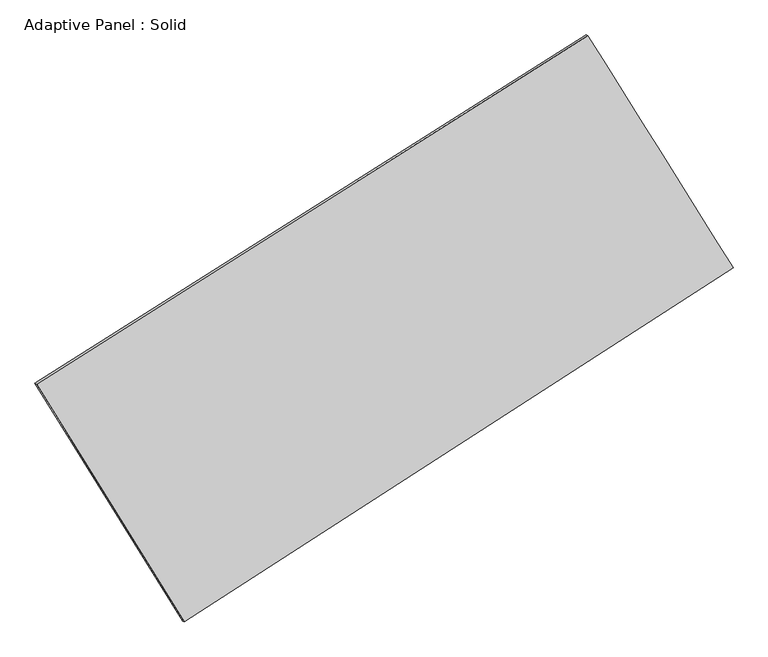
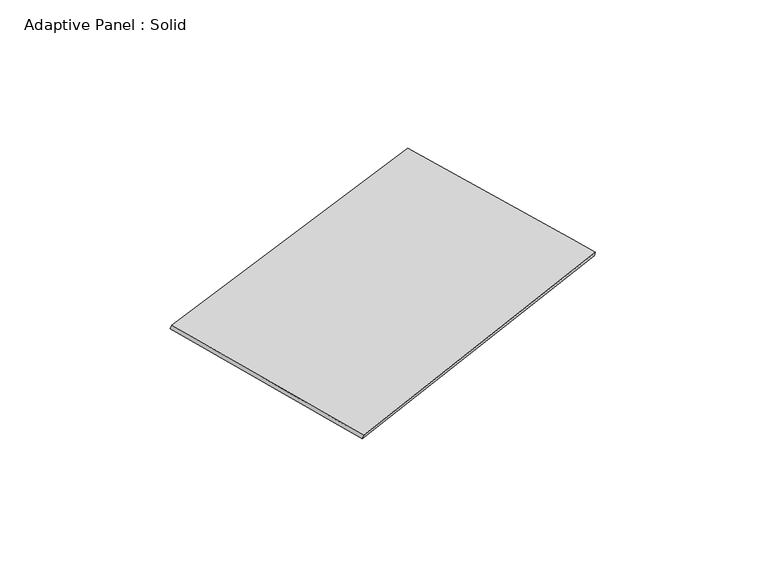
"""IFC4 building model written with IfcOpenShell, lengths in millimetres: plate geometry, Adaptive Panel : Solid."""

import ifcopenshell
import ifcopenshell.guid

model = None  # the IFC model being written
_history = None  # IfcOwnerHistory: only IFC2X3 demands one
_inside = {}  # id of a spatial element -> (the spatial element, [elements in it])
_under = {}  # id of a project, library or spatial element -> (it, [spatial elements below it])
_declared = {}  # id of a project -> (the project, [libraries it declares])
_typed = {}  # id of a type object -> (the type object, [elements of that type])
_made_of = {}  # id of a material, layer set ... -> (it, [elements and type objects made of it])


def new_model(schema):
    """Start an empty IFC model of exactly this schema.

    Asked for "IFC4X3", IfcOpenShell would pick the latest addendum, in which some entities
    have other attributes; the version numbers below select the first issue.
    IFC2X3 requires an IfcOwnerHistory on every rooted entity: one is made here for all.
    """
    global model, _history
    if schema == "IFC4X3":
        model = ifcopenshell.file(schema_version=(4, 3, 0, 0))
    else:
        model = ifcopenshell.file(schema=schema)
    _inside.clear()
    _under.clear()
    _declared.clear()
    _typed.clear()
    _made_of.clear()
    _history = None
    if model.schema == "IFC2X3":
        org = make("IfcOrganization", Name="unknown")
        user = make(
            "IfcPersonAndOrganization",
            ThePerson=make("IfcPerson", FamilyName="unknown"),
            TheOrganization=org,
        )
        app = make(
            "IfcApplication",
            ApplicationDeveloper=org,
            Version="unknown",
            ApplicationFullName="unknown",
            ApplicationIdentifier="unknown",
        )
        _history = make(
            "IfcOwnerHistory",
            OwningUser=user,
            OwningApplication=app,
            ChangeAction="ADDED",
            CreationDate=0,
        )
    return model


def make(cls, **values):
    """One entity of the class cls with the attributes given. An attribute that is None is left unset."""
    return model.create_entity(
        cls, **{name: value for name, value in values.items() if value is not None}
    )


def rooted(cls, **values):
    """An entity with a GlobalId (a new one), such as an element, a storey or a relation."""
    return make(cls, GlobalId=ifcopenshell.guid.new(), OwnerHistory=_history, **values)


def si_unit(unit_type, name, prefix=None):
    """IfcSIUnit, for example si_unit("LENGTHUNIT", "METRE", prefix="MILLI")."""
    return make("IfcSIUnit", UnitType=unit_type, Prefix=prefix, Name=name)


def assignment(units):
    """IfcUnitAssignment: the units of a project."""
    return None if units is None else make("IfcUnitAssignment", Units=units)


def point(xyz):
    """IfcCartesianPoint."""
    return None if xyz is None else make("IfcCartesianPoint", Coordinates=xyz)


def direction(xyz):
    """IfcDirection."""
    return None if xyz is None else make("IfcDirection", DirectionRatios=xyz)


def frame(location, z_axis=None, x_axis=None):
    """IfcAxis2Placement3D, a coordinate frame: its origin and axes. An axis left out is left unset."""
    return make(
        "IfcAxis2Placement3D",
        Location=point(location),
        Axis=direction(z_axis),
        RefDirection=direction(x_axis),
    )


def origin():
    """The frame at (0, 0, 0) with its axes left unset."""
    return frame((0.0, 0.0, 0.0))


def place(relative_to, where):
    """IfcLocalPlacement: puts the frame where relative to a parent placement (None: the world)."""
    return make(
        "IfcLocalPlacement", PlacementRelTo=relative_to, RelativePlacement=where
    )


def context(
    kind, dimensions, precision=None, world=None, true_north=None, identifier=None
):
    """IfcGeometricRepresentationContext, for example the 3D "Model" context."""
    return make(
        "IfcGeometricRepresentationContext",
        ContextIdentifier=identifier,
        ContextType=kind,
        CoordinateSpaceDimension=dimensions,
        Precision=precision,
        WorldCoordinateSystem=world,
        TrueNorth=true_north,
    )


def project(units=None, contexts=None):
    """IfcProject with its units and contexts."""
    return rooted(
        "IfcProject",
        Name="project",
        RepresentationContexts=contexts,
        UnitsInContext=assignment(units),
    )


def spatial(cls, under=None, at=None, **own):
    """A site, building, storey or space (cls), placed at a placement, below another one or the project."""
    s = rooted(cls, ObjectPlacement=at, **own)
    if under is not None:
        _under.setdefault(under.id(), (under, []))[1].append(s)
    return s


def shape(context_of_items, identifier, shape_type, items):
    """IfcShapeRepresentation: the items that make up one representation, for example the "Body"."""
    return make(
        "IfcShapeRepresentation",
        ContextOfItems=context_of_items,
        RepresentationIdentifier=identifier,
        RepresentationType=shape_type,
        Items=items,
    )


def source(mapping_origin, context_of_items, identifier, shape_type, items):
    """IfcRepresentationMap: a shape defined once, which mapped items show again and again."""
    return make(
        "IfcRepresentationMap",
        MappingOrigin=mapping_origin,
        MappedRepresentation=shape(context_of_items, identifier, shape_type, items),
    )


def transform(
    local_origin,
    x_axis=None,
    y_axis=None,
    z_axis=None,
    scale=None,
    scale2=None,
    scale3=None,
    uniform=True,
):
    """IfcCartesianTransformationOperator3D, or its non-uniform kind. x_axis, y_axis, z_axis: its Axis1, 2, 3."""
    if uniform:
        return make(
            "IfcCartesianTransformationOperator3D",
            Axis1=direction(x_axis),
            Axis2=direction(y_axis),
            LocalOrigin=point(local_origin),
            Scale=scale,
            Axis3=direction(z_axis),
        )
    return make(
        "IfcCartesianTransformationOperator3DnonUniform",
        Axis1=direction(x_axis),
        Axis2=direction(y_axis),
        LocalOrigin=point(local_origin),
        Scale=scale,
        Axis3=direction(z_axis),
        Scale2=scale2,
        Scale3=scale3,
    )


def mapped(mapping_source, mapping_target):
    """IfcMappedItem: shows the shape of a source again, moved by a transform."""
    return make(
        "IfcMappedItem", MappingSource=mapping_source, MappingTarget=mapping_target
    )


def made_of(thing, what):
    """Note that an element or type object is made of a material, layer set ...; save() writes the relation."""
    if what is not None:
        _made_of.setdefault(what.id(), (what, []))[1].append(thing)
    return thing


def element(
    cls,
    number,
    at=None,
    inside=None,
    cuts=None,
    type_object=None,
    material=None,
    context=None,
    identifier="Body",
    shape_type=None,
    held_by="IfcProductDefinitionShape",
    body=None,
    shapes=None,
    **own,
):
    """One element of the class cls, such as IfcWall. Its Tag is "e" and its number.

    at: its placement. inside: the storey or other place that contains it. cuts: it is an
    opening in that element (IfcRelVoidsElement). A single representation is given by context,
    identifier, shape_type and body (its items); several are given by shapes. held_by: the class
    of the entity that holds the representations. save() writes the other relations.
    """
    e = rooted(cls, Tag="e%d" % number, ObjectPlacement=at, **own)
    if body is not None:
        shapes = [shape(context, identifier, shape_type, body)]
    if shapes is not None:
        e.Representation = make(held_by, Representations=shapes)
    if inside is not None:
        _inside.setdefault(inside.id(), (inside, []))[1].append(e)
    if cuts is not None:
        rooted(
            "IfcRelVoidsElement", RelatingBuildingElement=cuts, RelatedOpeningElement=e
        )
    if type_object is not None:
        _typed.setdefault(type_object.id(), (type_object, []))[1].append(e)
    return made_of(e, material)


def aggregate(whole, parts):
    """IfcRelAggregates: a whole, such as a stair, and the parts it consists of."""
    return rooted("IfcRelAggregates", RelatingObject=whole, RelatedObjects=parts)


def save(model, path):
    """Write the relations noted so far, then the file.

    IfcRelAggregates (storeys below a building ...), IfcRelContainedInSpatialStructure (elements
    in a storey), IfcRelDefinesByType, IfcRelAssociatesMaterial and IfcRelDeclares: one each for
    every whole, place, type object, material and project.
    """
    for whole, parts in _under.values():
        aggregate(whole, parts)
    for where, things in _inside.values():
        rooted(
            "IfcRelContainedInSpatialStructure",
            RelatedElements=things,
            RelatingStructure=where,
        )
    for kind, things in _typed.values():
        rooted("IfcRelDefinesByType", RelatedObjects=things, RelatingType=kind)
    for what, things in _made_of.values():
        rooted("IfcRelAssociatesMaterial", RelatedObjects=things, RelatingMaterial=what)
    for by, libraries in _declared.values():
        rooted("IfcRelDeclares", RelatingContext=by, RelatedDefinitions=libraries)
    model.write(path)


def plane_surface(at):
    """IfcPlane: the flat surface through the origin of the frame at, square to its z axis."""
    return make("IfcPlane", Position=at)


def spline_surface(u_degree, v_degree, points, u_multiplicities, v_multiplicities, u_knots, v_knots, weights=None):
    """IfcBSplineSurfaceWithKnots; with weights, IfcRationalBSplineSurfaceWithKnots. points: one row for each step in u."""
    own = dict(
        UDegree=u_degree,
        VDegree=v_degree,
        ControlPointsList=[[point(p) for p in row] for row in points],
        SurfaceForm="UNSPECIFIED",
        UClosed=False,
        VClosed=False,
        SelfIntersect=False,
        UMultiplicities=u_multiplicities,
        VMultiplicities=v_multiplicities,
        UKnots=u_knots,
        VKnots=v_knots,
        KnotSpec="UNSPECIFIED",
    )
    if weights is None:
        return make("IfcBSplineSurfaceWithKnots", **own)
    return make("IfcRationalBSplineSurfaceWithKnots", WeightsData=weights, **own)


def advanced_brep(points, edges, surfaces, faces):
    """IfcAdvancedBrep: a solid bounded by faces that lie on surfaces and meet in shared edges.

    An edge is (start, end): straight between two places in points (the first is 0);
    or (start, end, curve); or (start, end, curve, False) where it runs against its curve.
    A face is (place in surfaces, loops), or (place, loops, False) where it looks against
    its surface's normal. A loop lists edges by number (the first is 1), with a minus sign
    where the edge is run from its end to its start. The first loop is the outer one.
    """
    corners = [point(p) for p in points]
    vertices = [make("IfcVertexPoint", VertexGeometry=c) for c in corners]
    made = []
    for start, end, *more in edges:
        made.append(
            make(
                "IfcEdgeCurve",
                EdgeStart=vertices[start],
                EdgeEnd=vertices[end],
                EdgeGeometry=more[0] if more else make("IfcPolyline", Points=[corners[start], corners[end]]),
                SameSense=more[1] if len(more) > 1 else True,
            )
        )
    hull = []
    for where, loops, *sense in faces:
        bounds = []
        for j, loop in enumerate(loops):
            ring = [make("IfcOrientedEdge", EdgeElement=made[abs(k) - 1], Orientation=k > 0) for k in loop]
            bounds.append(
                make(
                    "IfcFaceOuterBound" if j == 0 else "IfcFaceBound",
                    Bound=make("IfcEdgeLoop", EdgeList=ring),
                    Orientation=True,
                )
            )
        hull.append(make("IfcAdvancedFace", Bounds=bounds, FaceSurface=surfaces[where], SameSense=sense[0] if sense else True))
    return make("IfcAdvancedBrep", Outer=make("IfcClosedShell", CfsFaces=hull))


def adaptive_panel_solid_f9c2156d(model_context):
    return source(origin(), model_context, "Body", "AdvancedBrep", [
        advanced_brep(
        [(1145.6368681, 2486.9475674, 649.2279264), (-3745.4449832, -603.0805083, 1775.5139915), (-3730.7786274, -609.4606017, 1822.8868995), (1160.3032239, 2480.5674739, 696.6008344), (-2436.1718255, -2711.8878542, 1058.3489598), (-2421.5054697, -2718.2679476, 1105.7218678), (2432.6893625, 427.7722222, 2.0316425), (2447.3557183, 421.3921287, 49.4045505)],
        [
            (0, 1),
            (1, 2),
            (2, 3),
            (3, 0),
            (1, 4),
            (4, 5),
            (5, 2),
            (4, 6),
            (6, 7),
            (7, 5),
            (6, 0),
            (3, 7),
        ],
        [
            plane_surface(frame((-1299.9040576, 941.9335296, 1212.370959), z_axis=(-0.4723405345790709, 0.8422971737658573, 0.2596726602082072), x_axis=(-0.829837969519059, -0.5242649176656895, 0.1910896136619497))),
            plane_surface(frame((-3090.8084044, -1657.4841812, 1416.9314756), z_axis=(-0.8087679540967304, -0.5615635536908125, 0.17475918171110483), x_axis=(0.5067402793824353, -0.8161915008607656, -0.277571113724145))),
            plane_surface(frame((-1.7412315, -1142.057816, 530.1903011), z_axis=(0.48225310206250505, -0.8359700276833505, -0.2618894010191884), x_axis=(0.826786931250697, 0.5331492970222604, -0.17937446138657706))),
            plane_surface(frame((1789.1631153, 1457.3598948, 325.6297845), z_axis=(0.8092397534051037, 0.560806098669927, -0.1750072604307126), x_axis=(-0.5121415072658968, 0.8193831794604608, 0.2575311277354288))),
            spline_surface(1, 1, [[(-3730.7786274, -609.4606017, 1822.8868995), (1160.3032239, 2480.5674739, 696.6008344)], [(-2421.5054697, -2718.2679476, 1105.7218678), (2447.3557183, 421.3921287, 49.4045505)]], [2, 2], [2, 2], [0.0, 1.0], [0.0, 1.0]),
            spline_surface(1, 1, [[(2432.6893625, 427.7722222, 2.0316425), (1145.6368681, 2486.9475674, 649.2279264)], [(-2436.1718255, -2711.8878542, 1058.3489598), (-3745.4449832, -603.0805083, 1775.5139915)]], [2, 2], [2, 2], [0.0, 1.0], [0.0, 1.0]),
        ],
        [
            (0, [[1, 2, 3, 4]]),
            (1, [[5, 6, 7, -2]]),
            (2, [[8, 9, 10, -6]]),
            (3, [[11, -4, 12, -9]]),
            (4, [[-3, -7, -10, -12]]),
            (5, [[-11, -8, -5, -1]]),
        ],
    ),
    ])


if __name__ == "__main__":
    model = new_model("IFC4")
    model_context = context("Model", 3, world=origin())
    ifc_project = project(units=[si_unit("LENGTHUNIT", "METRE", prefix="MILLI")], contexts=[model_context])
    site = spatial("IfcSite", under=ifc_project)
    building = spatial("IfcBuilding", under=site)
    placement = place(None, origin())
    adaptive_panel_solid_shape = adaptive_panel_solid_f9c2156d(model_context)
    element("IfcPlate", 1, ObjectType="Adaptive Panel : Solid", at=placement, inside=building, context=model_context, shape_type="MappedRepresentation", body=[
        mapped(adaptive_panel_solid_shape, transform((0.0, 0.0, 0.0), x_axis=(1.0, 0.0, 0.0), y_axis=(0.0, 1.0, 0.0), z_axis=(0.0, 0.0, 1.0))),
    ])
    save(model, "model.ifc")
